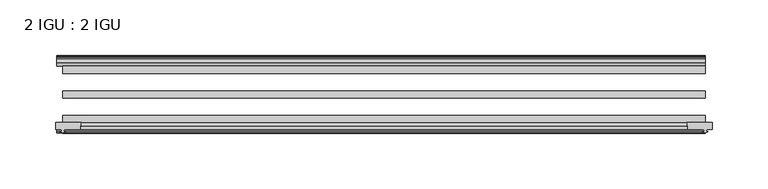
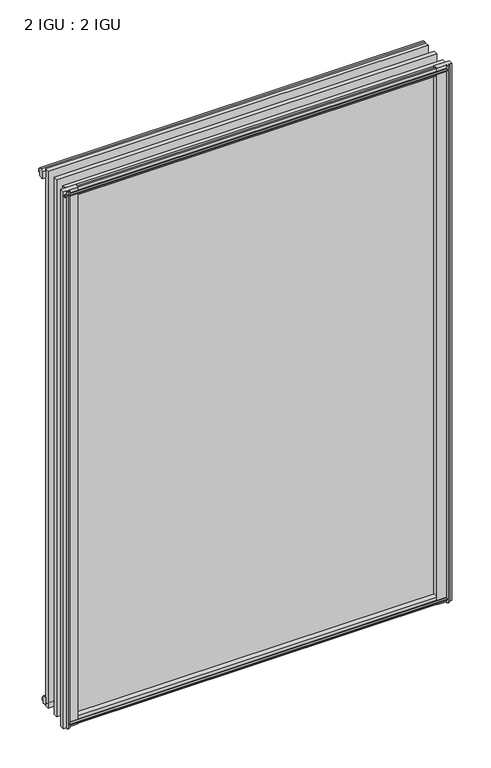
"""IFC4 building model written with IfcOpenShell, lengths in millimetres: plate geometry, 2 IGU : 2 IGU."""

from ifc_helpers import new_model, si_unit, point, frame, frame_2d, origin, origin_with_axes, place, context, project, spatial, polyline, circle_curve, trimmed, segment, composite_curve, outline, extrude, source, transform, mapped, element, save


def plate_2_igu_2_igu_971d406c(model_context):
    return source(origin(), model_context, "Body", "SweptSolid", [
        extrude(outline(polyline([(277.7431709, -10.4746158), (279.9207, -9.7670937), (282.0982291, -10.4746158), (282.0982291, -11.27583), (280.6827, -10.8158968), (281.0637, -13.1960937), (285.5087, -13.1960937), (285.5087, -16.1424937), (282.6743578, -19.5460937), (271.8529819, -19.5460937), (273.5707, -13.1960937), (278.7777, -13.1960937), (279.1587, -10.8158968), (277.7431709, -11.27583), (277.7431709, -10.4746158)])), origin_with_axes(), (0.0, 0.0, 1.0), 838.2),
        extrude(outline(composite_curve([segment(polyline([(-295.275, -69.9960936), (-272.0662713, -69.9960936)]), True, "CONTINUOUS"), segment(trimmed(circle_curve(frame_2d((-260.7088743, -75.0067563)), 12.4135896), [point((-272.0662713, -69.9960936))], [point((-273.05, -76.3460936))], True, "CARTESIAN"), True, "CONTINUOUS"), segment(polyline([(-273.05, -76.3460936), (-287.655, -76.3460936), (-287.9725, -78.4506955), (-286.7538941, -78.124171), (-286.5501, -78.884741), (-288.925, -79.5210936), (-291.2999, -78.884741), (-291.0961059, -78.124171), (-289.8775, -78.4506955), (-290.195, -76.3460936), (-295.275, -76.3460936), (-295.275, -69.9960936)]), True, "CONTINUOUS")], self_intersect=False)), frame((0.0, 0.0, -12.4587), z_axis=(0.0, 0.0, 1.0), x_axis=(1.0, 0.0, 0.0)), (0.0, 0.0, 1.0), 863.1174),
        extrude(outline(composite_curve([segment(polyline([(272.0662713, -69.9960936), (295.275, -69.9960936), (295.275, -76.3460936), (290.195, -76.3460936), (289.8775, -78.4506955), (291.0961059, -78.124171), (291.2999, -78.884741), (288.925, -79.5210936), (286.5501, -78.884741), (286.7538941, -78.124171), (287.9725, -78.4506955), (287.655, -76.3460936), (273.05, -76.3460936)]), True, "CONTINUOUS"), segment(trimmed(circle_curve(frame_2d((260.7088743, -75.0067563)), 12.4135896), [point((273.05, -76.3460936))], [point((272.0662713, -69.9960936))], True, "CARTESIAN"), True, "CONTINUOUS")], self_intersect=False)), frame((0.0, 0.0, -12.4587), z_axis=(0.0, 0.0, 1.0), x_axis=(1.0, 0.0, 0.0)), (0.0, 0.0, 1.0), 863.1174),
        extrude(outline(polyline([(-19.5460937, 1.5938931), (-13.1960937, -0.123825), (-13.1960937, -5.330825), (-10.8158968, -5.711825), (-11.27583, -4.2962959), (-10.4746158, -4.2962959), (-9.7670937, -6.473825), (-10.4746158, -8.6513541), (-11.27583, -8.6513541), (-10.8158968, -7.235825), (-13.1960937, -7.616825), (-13.1960937, -12.061825), (-16.1424937, -12.061825), (-19.5460937, -9.2274828), (-19.5460937, 1.5938931)])), frame((-288.925, 0.0, 0.0), z_axis=(1.0, 0.0, 0.0), x_axis=(0.0, 1.0, 0.0)), (0.0, 0.0, 1.0), 577.85),
        extrude(outline(polyline([(-69.9960936, 2.1145931), (-69.9960936, -8.7067828), (-73.3996936, -11.541125), (-76.3460936, -11.541125), (-76.3460936, -7.096125), (-78.7262905, -6.715125), (-78.2663573, -8.1306541), (-79.0675715, -8.1306541), (-79.7750936, -5.953125), (-79.0675715, -3.7755959), (-78.2663573, -3.7755959), (-78.7262905, -5.191125), (-76.3460936, -4.810125), (-76.3460936, 0.396875), (-69.9960936, 2.1145931)])), frame((-288.925, 0.0, 0.0), z_axis=(1.0, 0.0, 0.0), x_axis=(0.0, 1.0, 0.0)), (0.0, 0.0, 1.0), 577.85),
        extrude(outline(polyline([(-10.8158968, 845.8327), (-11.27583, 847.2482291), (-10.4746158, 847.2482291), (-9.7670937, 845.0707), (-10.4746158, 842.8931709), (-11.27583, 842.8931709), (-10.8158968, 844.3087), (-13.1960937, 843.9277), (-13.1960937, 838.7207), (-19.5460937, 837.0029819), (-19.5460937, 847.8243578), (-16.1424937, 850.6587), (-13.1960937, 850.6587), (-13.1960937, 846.2137), (-10.8158968, 845.8327)])), frame((-294.2711059, 0.0, 0.0), z_axis=(1.0, 0.0, 0.0), x_axis=(0.0, 1.0, 0.0)), (0.0, 0.0, 1.0), 583.1961059),
        extrude(outline(polyline([(-76.3460936, 850.138), (-73.3996936, 850.138), (-69.9960936, 847.3036578), (-69.9960936, 836.4822819), (-76.3460936, 838.2), (-76.3460936, 843.407), (-78.7262905, 843.788), (-78.2663573, 842.3724709), (-79.0675715, 842.3724709), (-79.7750936, 844.55), (-79.0675715, 846.7275291), (-78.2663573, 846.7275291), (-78.7262905, 845.312), (-76.3460936, 845.693), (-76.3460936, 850.138)])), frame((-294.2711059, 0.0, 0.0), z_axis=(1.0, 0.0, 0.0), x_axis=(0.0, 1.0, 0.0)), (0.0, 0.0, 1.0), 583.1961059),
        extrude(outline(polyline([(-279.9207, -9.7670937), (-277.7431709, -10.4746158), (-277.7431709, -11.27583), (-279.1587, -10.8158968), (-278.7777, -13.1960937), (-273.5707, -13.1960937), (-271.8529819, -19.5460937), (-282.6743578, -19.5460937), (-285.5087, -16.1424937), (-285.5087, -13.1960937), (-281.0637, -13.1960937), (-280.6827, -10.8158968), (-282.0982291, -11.27583), (-282.0982291, -10.4746158), (-279.9207, -9.7670937)])), origin_with_axes(), (0.0, 0.0, 1.0), 838.2),
        extrude(outline(polyline([(288.925, -19.5460937), (288.925, -25.8960937), (-288.925, -25.8960937), (-288.925, -19.5460937), (288.925, -19.5460937)])), frame((0.0, 0.0, -12.303125), z_axis=(0.0, 0.0, 1.0), x_axis=(1.0, 0.0, 0.0)), (0.0, 0.0, 1.0), 863.203125),
        extrude(outline(polyline([(-288.925, -41.5960937), (288.925, -41.5960937), (288.925, -47.9460937), (-288.925, -47.9460937), (-288.925, -41.5960937)])), frame((0.0, 0.0, -12.303125), z_axis=(0.0, 0.0, 1.0), x_axis=(1.0, 0.0, 0.0)), (0.0, 0.0, 1.0), 863.203125),
        extrude(outline(polyline([(288.925, -63.6460936), (288.925, -69.9960936), (-288.925, -69.9960936), (-288.925, -63.6460936), (288.925, -63.6460936)])), frame((0.0, 0.0, -12.303125), z_axis=(0.0, 0.0, 1.0), x_axis=(1.0, 0.0, 0.0)), (0.0, 0.0, 1.0), 863.203125),
    ])


if __name__ == "__main__":
    model = new_model("IFC4")
    model_context = context("Model", 3, world=origin())
    ifc_project = project(units=[si_unit("LENGTHUNIT", "METRE", prefix="MILLI")], contexts=[model_context])
    site = spatial("IfcSite", under=ifc_project)
    building = spatial("IfcBuilding", under=site)
    placement = place(None, origin())
    plate_2_igu_2_igu_shape = plate_2_igu_2_igu_971d406c(model_context)
    element("IfcPlate", 1, ObjectType="2 IGU : 2 IGU", at=placement, inside=building, context=model_context, shape_type="MappedRepresentation", body=[
        mapped(plate_2_igu_2_igu_shape, transform((0.0, 0.0, 0.0), x_axis=(1.0, 0.0, 0.0), y_axis=(0.0, 1.0, 0.0), z_axis=(0.0, 0.0, 1.0))),
    ])
    save(model, "model.ifc")
